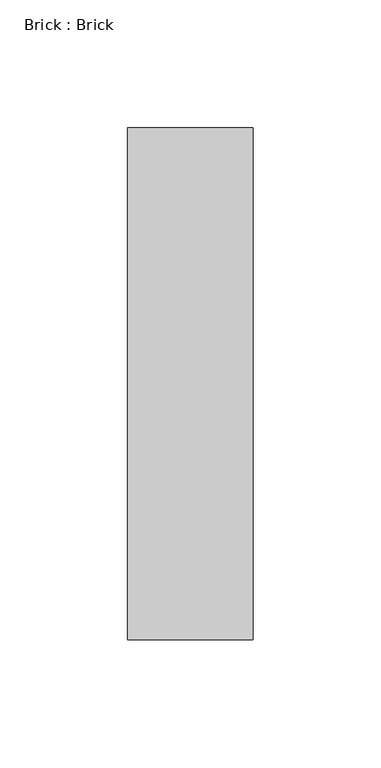
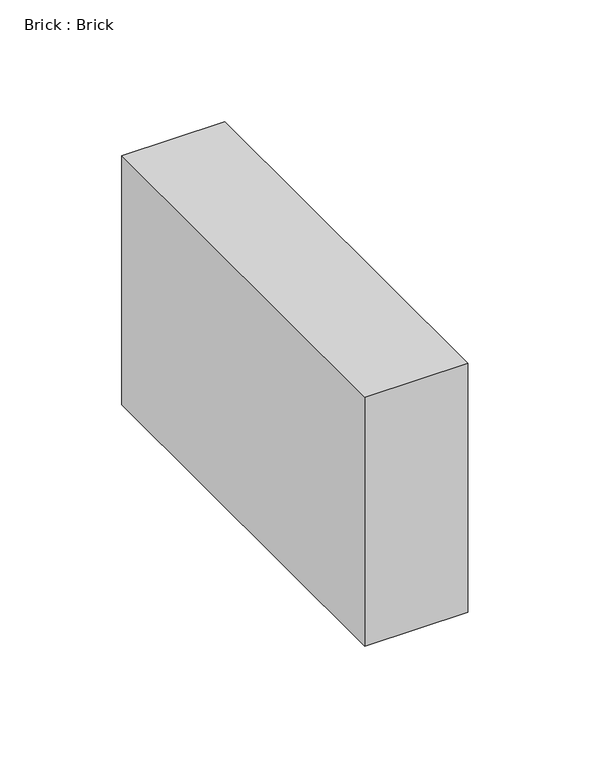
"""IFC4 building model written with IfcOpenShell, lengths in millimetres: proxy geometry, Brick : Brick."""

import ifcopenshell
import ifcopenshell.guid

model = None  # the IFC model being written
_history = None  # IfcOwnerHistory: only IFC2X3 demands one
_inside = {}  # id of a spatial element -> (the spatial element, [elements in it])
_under = {}  # id of a project, library or spatial element -> (it, [spatial elements below it])
_declared = {}  # id of a project -> (the project, [libraries it declares])
_typed = {}  # id of a type object -> (the type object, [elements of that type])
_made_of = {}  # id of a material, layer set ... -> (it, [elements and type objects made of it])


def new_model(schema):
    """Start an empty IFC model of exactly this schema.

    Asked for "IFC4X3", IfcOpenShell would pick the latest addendum, in which some entities
    have other attributes; the version numbers below select the first issue.
    IFC2X3 requires an IfcOwnerHistory on every rooted entity: one is made here for all.
    """
    global model, _history
    if schema == "IFC4X3":
        model = ifcopenshell.file(schema_version=(4, 3, 0, 0))
    else:
        model = ifcopenshell.file(schema=schema)
    _inside.clear()
    _under.clear()
    _declared.clear()
    _typed.clear()
    _made_of.clear()
    _history = None
    if model.schema == "IFC2X3":
        org = make("IfcOrganization", Name="unknown")
        user = make(
            "IfcPersonAndOrganization",
            ThePerson=make("IfcPerson", FamilyName="unknown"),
            TheOrganization=org,
        )
        app = make(
            "IfcApplication",
            ApplicationDeveloper=org,
            Version="unknown",
            ApplicationFullName="unknown",
            ApplicationIdentifier="unknown",
        )
        _history = make(
            "IfcOwnerHistory",
            OwningUser=user,
            OwningApplication=app,
            ChangeAction="ADDED",
            CreationDate=0,
        )
    return model


def make(cls, **values):
    """One entity of the class cls with the attributes given. An attribute that is None is left unset."""
    return model.create_entity(
        cls, **{name: value for name, value in values.items() if value is not None}
    )


def rooted(cls, **values):
    """An entity with a GlobalId (a new one), such as an element, a storey or a relation."""
    return make(cls, GlobalId=ifcopenshell.guid.new(), OwnerHistory=_history, **values)


def si_unit(unit_type, name, prefix=None):
    """IfcSIUnit, for example si_unit("LENGTHUNIT", "METRE", prefix="MILLI")."""
    return make("IfcSIUnit", UnitType=unit_type, Prefix=prefix, Name=name)


def assignment(units):
    """IfcUnitAssignment: the units of a project."""
    return None if units is None else make("IfcUnitAssignment", Units=units)


def point(xyz):
    """IfcCartesianPoint."""
    return None if xyz is None else make("IfcCartesianPoint", Coordinates=xyz)


def direction(xyz):
    """IfcDirection."""
    return None if xyz is None else make("IfcDirection", DirectionRatios=xyz)


def frame(location, z_axis=None, x_axis=None):
    """IfcAxis2Placement3D, a coordinate frame: its origin and axes. An axis left out is left unset."""
    return make(
        "IfcAxis2Placement3D",
        Location=point(location),
        Axis=direction(z_axis),
        RefDirection=direction(x_axis),
    )


def origin():
    """The frame at (0, 0, 0) with its axes left unset."""
    return frame((0.0, 0.0, 0.0))


def place(relative_to, where):
    """IfcLocalPlacement: puts the frame where relative to a parent placement (None: the world)."""
    return make(
        "IfcLocalPlacement", PlacementRelTo=relative_to, RelativePlacement=where
    )


def context(
    kind, dimensions, precision=None, world=None, true_north=None, identifier=None
):
    """IfcGeometricRepresentationContext, for example the 3D "Model" context."""
    return make(
        "IfcGeometricRepresentationContext",
        ContextIdentifier=identifier,
        ContextType=kind,
        CoordinateSpaceDimension=dimensions,
        Precision=precision,
        WorldCoordinateSystem=world,
        TrueNorth=true_north,
    )


def project(units=None, contexts=None):
    """IfcProject with its units and contexts."""
    return rooted(
        "IfcProject",
        Name="project",
        RepresentationContexts=contexts,
        UnitsInContext=assignment(units),
    )


def spatial(cls, under=None, at=None, **own):
    """A site, building, storey or space (cls), placed at a placement, below another one or the project."""
    s = rooted(cls, ObjectPlacement=at, **own)
    if under is not None:
        _under.setdefault(under.id(), (under, []))[1].append(s)
    return s


def polyline(points):
    """IfcPolyline through the points."""
    return make("IfcPolyline", Points=[point(p) for p in points])


def outline(outer, holes=None, kind="AREA"):
    """IfcArbitraryClosedProfileDef: a profile drawn as a closed curve; with holes, ...WithVoids."""
    if holes is None:
        return make("IfcArbitraryClosedProfileDef", ProfileType=kind, OuterCurve=outer)
    return make(
        "IfcArbitraryProfileDefWithVoids",
        ProfileType=kind,
        OuterCurve=outer,
        InnerCurves=holes,
    )


def extrude(swept, where, along, depth):
    """IfcExtrudedAreaSolid: the profile swept, set in the frame where, extruded along a direction by depth."""
    return make(
        "IfcExtrudedAreaSolid",
        SweptArea=swept,
        Position=where,
        ExtrudedDirection=direction(along),
        Depth=depth,
    )


def shape(context_of_items, identifier, shape_type, items):
    """IfcShapeRepresentation: the items that make up one representation, for example the "Body"."""
    return make(
        "IfcShapeRepresentation",
        ContextOfItems=context_of_items,
        RepresentationIdentifier=identifier,
        RepresentationType=shape_type,
        Items=items,
    )


def source(mapping_origin, context_of_items, identifier, shape_type, items):
    """IfcRepresentationMap: a shape defined once, which mapped items show again and again."""
    return make(
        "IfcRepresentationMap",
        MappingOrigin=mapping_origin,
        MappedRepresentation=shape(context_of_items, identifier, shape_type, items),
    )


def transform(
    local_origin,
    x_axis=None,
    y_axis=None,
    z_axis=None,
    scale=None,
    scale2=None,
    scale3=None,
    uniform=True,
):
    """IfcCartesianTransformationOperator3D, or its non-uniform kind. x_axis, y_axis, z_axis: its Axis1, 2, 3."""
    if uniform:
        return make(
            "IfcCartesianTransformationOperator3D",
            Axis1=direction(x_axis),
            Axis2=direction(y_axis),
            LocalOrigin=point(local_origin),
            Scale=scale,
            Axis3=direction(z_axis),
        )
    return make(
        "IfcCartesianTransformationOperator3DnonUniform",
        Axis1=direction(x_axis),
        Axis2=direction(y_axis),
        LocalOrigin=point(local_origin),
        Scale=scale,
        Axis3=direction(z_axis),
        Scale2=scale2,
        Scale3=scale3,
    )


def mapped(mapping_source, mapping_target):
    """IfcMappedItem: shows the shape of a source again, moved by a transform."""
    return make(
        "IfcMappedItem", MappingSource=mapping_source, MappingTarget=mapping_target
    )


def made_of(thing, what):
    """Note that an element or type object is made of a material, layer set ...; save() writes the relation."""
    if what is not None:
        _made_of.setdefault(what.id(), (what, []))[1].append(thing)
    return thing


def element(
    cls,
    number,
    at=None,
    inside=None,
    cuts=None,
    type_object=None,
    material=None,
    context=None,
    identifier="Body",
    shape_type=None,
    held_by="IfcProductDefinitionShape",
    body=None,
    shapes=None,
    **own,
):
    """One element of the class cls, such as IfcWall. Its Tag is "e" and its number.

    at: its placement. inside: the storey or other place that contains it. cuts: it is an
    opening in that element (IfcRelVoidsElement). A single representation is given by context,
    identifier, shape_type and body (its items); several are given by shapes. held_by: the class
    of the entity that holds the representations. save() writes the other relations.
    """
    e = rooted(cls, Tag="e%d" % number, ObjectPlacement=at, **own)
    if body is not None:
        shapes = [shape(context, identifier, shape_type, body)]
    if shapes is not None:
        e.Representation = make(held_by, Representations=shapes)
    if inside is not None:
        _inside.setdefault(inside.id(), (inside, []))[1].append(e)
    if cuts is not None:
        rooted(
            "IfcRelVoidsElement", RelatingBuildingElement=cuts, RelatedOpeningElement=e
        )
    if type_object is not None:
        _typed.setdefault(type_object.id(), (type_object, []))[1].append(e)
    return made_of(e, material)


def aggregate(whole, parts):
    """IfcRelAggregates: a whole, such as a stair, and the parts it consists of."""
    return rooted("IfcRelAggregates", RelatingObject=whole, RelatedObjects=parts)


def save(model, path):
    """Write the relations noted so far, then the file.

    IfcRelAggregates (storeys below a building ...), IfcRelContainedInSpatialStructure (elements
    in a storey), IfcRelDefinesByType, IfcRelAssociatesMaterial and IfcRelDeclares: one each for
    every whole, place, type object, material and project.
    """
    for whole, parts in _under.values():
        aggregate(whole, parts)
    for where, things in _inside.values():
        rooted(
            "IfcRelContainedInSpatialStructure",
            RelatedElements=things,
            RelatingStructure=where,
        )
    for kind, things in _typed.values():
        rooted("IfcRelDefinesByType", RelatedObjects=things, RelatingType=kind)
    for what, things in _made_of.values():
        rooted("IfcRelAssociatesMaterial", RelatedObjects=things, RelatingMaterial=what)
    for by, libraries in _declared.values():
        rooted("IfcRelDeclares", RelatingContext=by, RelatedDefinitions=libraries)
    model.write(path)


def brick_brick_2327b664(model_context):
    return source(origin(), model_context, "Body", "SweptSolid", [
        extrude(outline(polyline([(24.5, 100.0), (24.5, -100.0), (-24.5, -100.0), (-24.5, 100.0), (24.5, 100.0)])), frame((0.0, 0.0, -62.5), z_axis=(0.0, 0.0, 1.0), x_axis=(1.0, 0.0, 0.0)), (0.0, 0.0, 1.0), 125.0),
    ])


if __name__ == "__main__":
    model = new_model("IFC4")
    model_context = context("Model", 3, world=origin())
    ifc_project = project(units=[si_unit("LENGTHUNIT", "METRE", prefix="MILLI")], contexts=[model_context])
    site = spatial("IfcSite", under=ifc_project)
    building = spatial("IfcBuilding", under=site)
    placement = place(None, origin())
    brick_brick_shape = brick_brick_2327b664(model_context)
    element("IfcBuildingElementProxy", 1, Name="Brick : Brick", ObjectType="Brick : Brick", at=placement, inside=building, context=model_context, shape_type="MappedRepresentation", body=[
        mapped(brick_brick_shape, transform((0.0, 0.0, 0.0), x_axis=(1.0, 0.0, 0.0), y_axis=(0.0, 1.0, 0.0), z_axis=(0.0, 0.0, 1.0))),
    ])
    save(model, "model.ifc")
